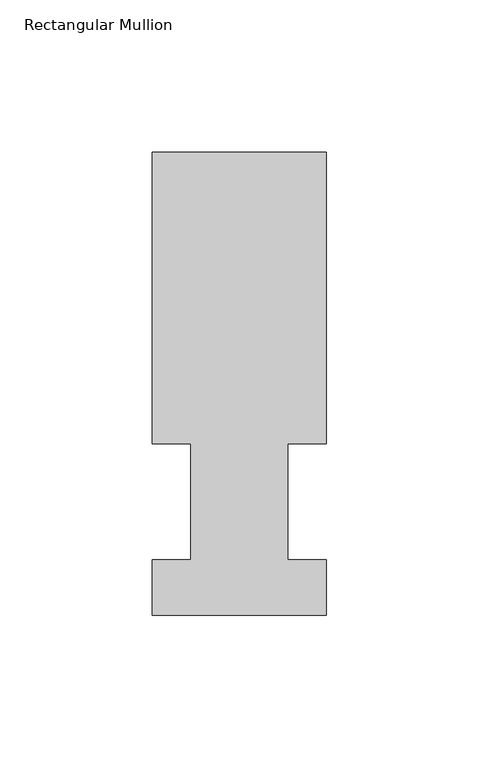
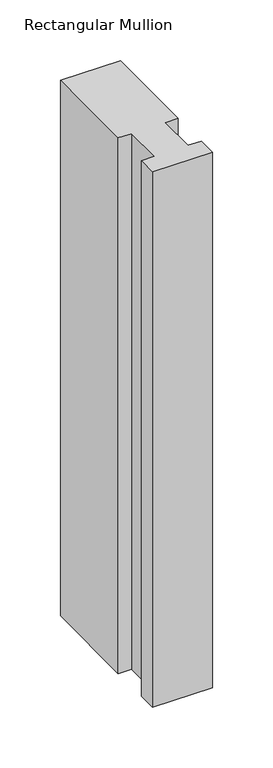
"""IFC4 building model written with IfcOpenShell, lengths in millimetres: member geometry, Rectangular Mullion."""

from ifc_helpers import new_model, si_unit, frame, origin, place, context, project, spatial, polyline, outline, extrude, source, transform, mapped, element, save


def rectangular_mullion_e6978f80(model_context):
    return source(origin(), model_context, "Body", "SweptSolid", [
        extrude(outline(polyline([(-57.15, 151.98725), (0.0, 151.98725), (0.0, 56.35625), (-12.7, 56.35625), (-12.7, 18.25625), (0.0, 18.25625), (0.0, -0.03175), (-57.15, -0.03175), (-57.15, 18.25625), (-44.45, 18.25625), (-44.45, 56.35625), (-57.15, 56.35625), (-57.15, 151.98725)])), frame((0.0, 0.0, -539.71825), z_axis=(0.0, 0.0, 1.0), x_axis=(1.0, 0.0, 0.0)), (0.0, 0.0, 1.0), 539.71825),
    ])


if __name__ == "__main__":
    model = new_model("IFC4")
    model_context = context("Model", 3, world=origin())
    ifc_project = project(units=[si_unit("LENGTHUNIT", "METRE", prefix="MILLI")], contexts=[model_context])
    site = spatial("IfcSite", under=ifc_project)
    building = spatial("IfcBuilding", under=site)
    placement = place(None, origin())
    rectangular_mullion_shape = rectangular_mullion_e6978f80(model_context)
    element("IfcMember", 1, ObjectType="Rectangular Mullion", at=placement, inside=building, context=model_context, shape_type="MappedRepresentation", body=[
        mapped(rectangular_mullion_shape, transform((0.0, 0.0, 0.0), x_axis=(1.0, 0.0, 0.0), y_axis=(0.0, 1.0, 0.0), z_axis=(0.0, 0.0, 1.0))),
    ])
    save(model, "model.ifc")
